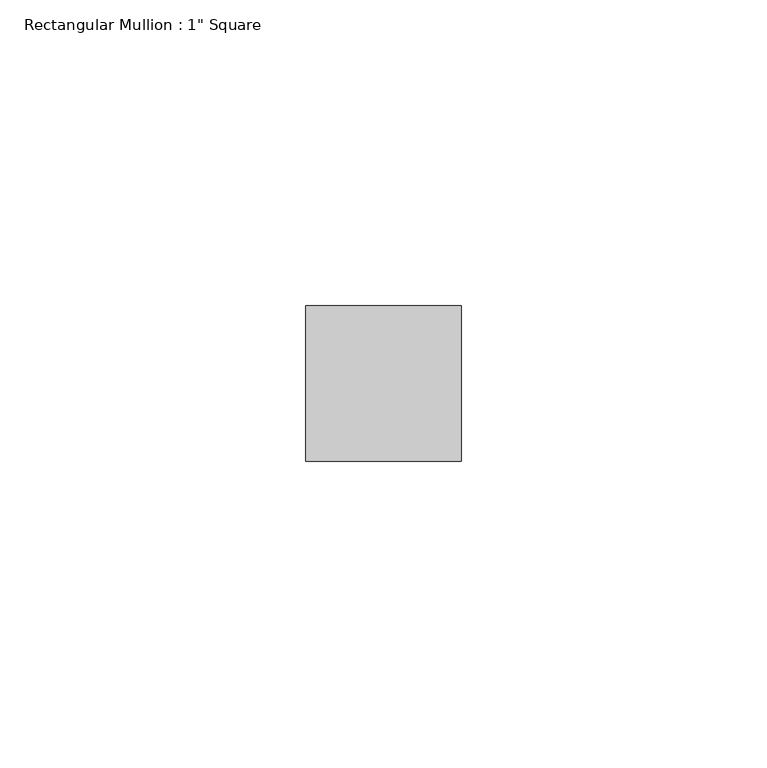
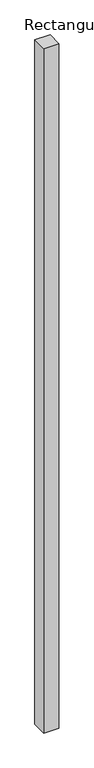
"""IFC4 building model written with IfcOpenShell, lengths in millimetres: member geometry."""

from ifc_helpers import new_model, si_unit, frame, origin, place, context, project, spatial, polyline, outline, extrude, source, transform, mapped, element, save


def member_1534f09e(model_context):
    return source(origin(), model_context, "Body", "SweptSolid", [
        extrude(outline(polyline([(12.7, 12.7), (12.7, -12.7), (-12.7, -12.7), (-12.7, 12.7), (12.7, 12.7)])), frame((0.0, 0.0, -1206.5), z_axis=(0.0, 0.0, 1.0), x_axis=(1.0, 0.0, 0.0)), (0.0, 0.0, 1.0), 1206.5),
    ])


if __name__ == "__main__":
    model = new_model("IFC4")
    model_context = context("Model", 3, world=origin())
    ifc_project = project(units=[si_unit("LENGTHUNIT", "METRE", prefix="MILLI")], contexts=[model_context])
    site = spatial("IfcSite", under=ifc_project)
    building = spatial("IfcBuilding", under=site)
    placement = place(None, origin())
    member_shape = member_1534f09e(model_context)
    element("IfcMember", 1, ObjectType="Rectangular Mullion : 1\" Square", at=placement, inside=building, context=model_context, shape_type="MappedRepresentation", body=[
        mapped(member_shape, transform((0.0, 0.0, 0.0), x_axis=(1.0, 0.0, 0.0), y_axis=(0.0, 1.0, 0.0), z_axis=(0.0, 0.0, 1.0))),
    ])
    save(model, "model.ifc")
